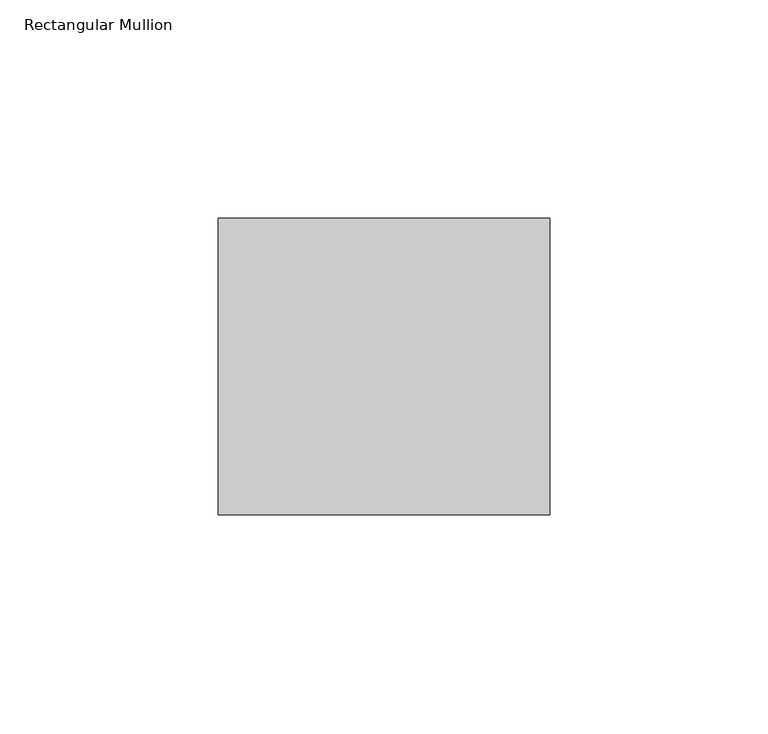
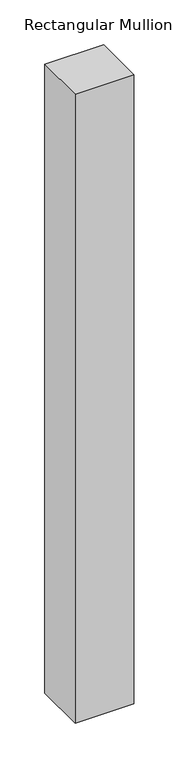
"""IFC4 building model written with IfcOpenShell, lengths in millimetres: member geometry, Rectangular Mullion."""

from ifc_helpers import new_model, si_unit, frame, origin, place, context, project, spatial, polyline, outline, extrude, source, transform, mapped, element, save


def rectangular_mullion_0584a91c(model_context):
    return source(origin(), model_context, "Body", "SweptSolid", [
        extrude(outline(polyline([(0.0, 68.0), (0.0, 0.0), (-76.0, 0.0), (-76.0, 68.0), (0.0, 68.0)])), frame((0.0, 0.0, -859.0), z_axis=(0.0, 0.0, 1.0), x_axis=(1.0, 0.0, 0.0)), (0.0, 0.0, 1.0), 859.0),
    ])


if __name__ == "__main__":
    model = new_model("IFC4")
    model_context = context("Model", 3, world=origin())
    ifc_project = project(units=[si_unit("LENGTHUNIT", "METRE", prefix="MILLI")], contexts=[model_context])
    site = spatial("IfcSite", under=ifc_project)
    building = spatial("IfcBuilding", under=site)
    placement = place(None, origin())
    rectangular_mullion_shape = rectangular_mullion_0584a91c(model_context)
    element("IfcMember", 1, ObjectType="Rectangular Mullion", at=placement, inside=building, context=model_context, shape_type="MappedRepresentation", body=[
        mapped(rectangular_mullion_shape, transform((0.0, 0.0, 0.0), x_axis=(1.0, 0.0, 0.0), y_axis=(0.0, 1.0, 0.0), z_axis=(0.0, 0.0, 1.0))),
    ])
    save(model, "model.ifc")
